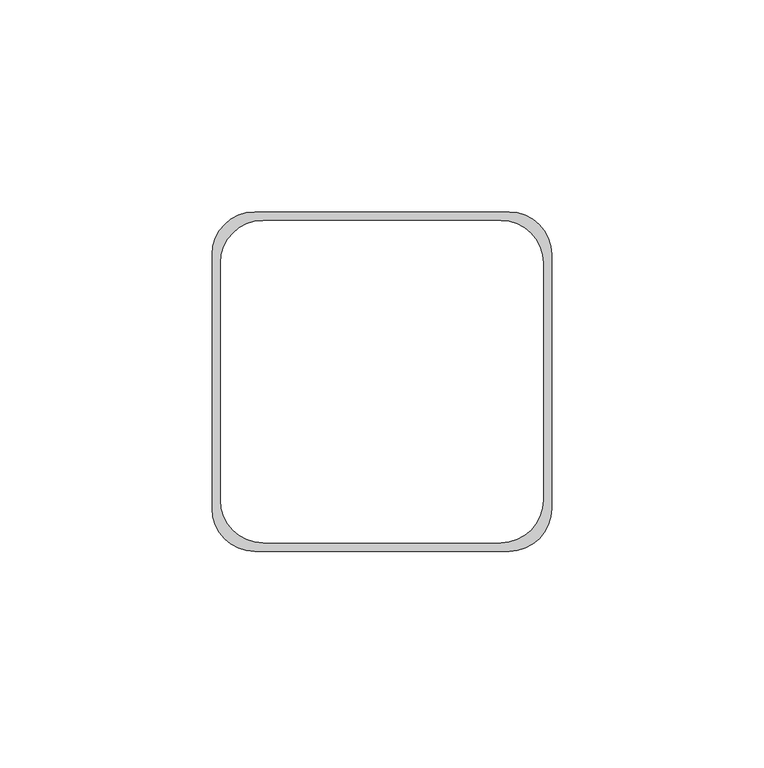
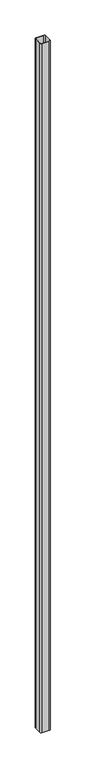
"""IFC4 building model written with IfcOpenShell, lengths in millimetres: proxy geometry."""

import ifcopenshell
import ifcopenshell.guid

model = None  # the IFC model being written
_history = None  # IfcOwnerHistory: only IFC2X3 demands one
_inside = {}  # id of a spatial element -> (the spatial element, [elements in it])
_under = {}  # id of a project, library or spatial element -> (it, [spatial elements below it])
_declared = {}  # id of a project -> (the project, [libraries it declares])
_typed = {}  # id of a type object -> (the type object, [elements of that type])
_made_of = {}  # id of a material, layer set ... -> (it, [elements and type objects made of it])


def new_model(schema):
    """Start an empty IFC model of exactly this schema.

    Asked for "IFC4X3", IfcOpenShell would pick the latest addendum, in which some entities
    have other attributes; the version numbers below select the first issue.
    IFC2X3 requires an IfcOwnerHistory on every rooted entity: one is made here for all.
    """
    global model, _history
    if schema == "IFC4X3":
        model = ifcopenshell.file(schema_version=(4, 3, 0, 0))
    else:
        model = ifcopenshell.file(schema=schema)
    _inside.clear()
    _under.clear()
    _declared.clear()
    _typed.clear()
    _made_of.clear()
    _history = None
    if model.schema == "IFC2X3":
        org = make("IfcOrganization", Name="unknown")
        user = make(
            "IfcPersonAndOrganization",
            ThePerson=make("IfcPerson", FamilyName="unknown"),
            TheOrganization=org,
        )
        app = make(
            "IfcApplication",
            ApplicationDeveloper=org,
            Version="unknown",
            ApplicationFullName="unknown",
            ApplicationIdentifier="unknown",
        )
        _history = make(
            "IfcOwnerHistory",
            OwningUser=user,
            OwningApplication=app,
            ChangeAction="ADDED",
            CreationDate=0,
        )
    return model


def make(cls, **values):
    """One entity of the class cls with the attributes given. An attribute that is None is left unset."""
    return model.create_entity(
        cls, **{name: value for name, value in values.items() if value is not None}
    )


def rooted(cls, **values):
    """An entity with a GlobalId (a new one), such as an element, a storey or a relation."""
    return make(cls, GlobalId=ifcopenshell.guid.new(), OwnerHistory=_history, **values)


def si_unit(unit_type, name, prefix=None):
    """IfcSIUnit, for example si_unit("LENGTHUNIT", "METRE", prefix="MILLI")."""
    return make("IfcSIUnit", UnitType=unit_type, Prefix=prefix, Name=name)


def assignment(units):
    """IfcUnitAssignment: the units of a project."""
    return None if units is None else make("IfcUnitAssignment", Units=units)


def point(xyz):
    """IfcCartesianPoint."""
    return None if xyz is None else make("IfcCartesianPoint", Coordinates=xyz)


def direction(xyz):
    """IfcDirection."""
    return None if xyz is None else make("IfcDirection", DirectionRatios=xyz)


def frame(location, z_axis=None, x_axis=None):
    """IfcAxis2Placement3D, a coordinate frame: its origin and axes. An axis left out is left unset."""
    return make(
        "IfcAxis2Placement3D",
        Location=point(location),
        Axis=direction(z_axis),
        RefDirection=direction(x_axis),
    )


def frame_2d(location, x_axis=None):
    """IfcAxis2Placement2D, a coordinate frame in the plane: its origin and x axis."""
    return make(
        "IfcAxis2Placement2D", Location=point(location), RefDirection=direction(x_axis)
    )


def origin():
    """The frame at (0, 0, 0) with its axes left unset."""
    return frame((0.0, 0.0, 0.0))


def place(relative_to, where):
    """IfcLocalPlacement: puts the frame where relative to a parent placement (None: the world)."""
    return make(
        "IfcLocalPlacement", PlacementRelTo=relative_to, RelativePlacement=where
    )


def context(
    kind, dimensions, precision=None, world=None, true_north=None, identifier=None
):
    """IfcGeometricRepresentationContext, for example the 3D "Model" context."""
    return make(
        "IfcGeometricRepresentationContext",
        ContextIdentifier=identifier,
        ContextType=kind,
        CoordinateSpaceDimension=dimensions,
        Precision=precision,
        WorldCoordinateSystem=world,
        TrueNorth=true_north,
    )


def project(units=None, contexts=None):
    """IfcProject with its units and contexts."""
    return rooted(
        "IfcProject",
        Name="project",
        RepresentationContexts=contexts,
        UnitsInContext=assignment(units),
    )


def spatial(cls, under=None, at=None, **own):
    """A site, building, storey or space (cls), placed at a placement, below another one or the project."""
    s = rooted(cls, ObjectPlacement=at, **own)
    if under is not None:
        _under.setdefault(under.id(), (under, []))[1].append(s)
    return s


def polyline(points):
    """IfcPolyline through the points."""
    return make("IfcPolyline", Points=[point(p) for p in points])


def circle_curve(where, radius):
    """IfcCircle in the frame where."""
    return make("IfcCircle", Position=where, Radius=radius)


def trimmed(basis, trim1, trim2, sense, master):
    """IfcTrimmedCurve: the piece of a basis curve between two trims."""
    return make(
        "IfcTrimmedCurve",
        BasisCurve=basis,
        Trim1=trim1,
        Trim2=trim2,
        SenseAgreement=sense,
        MasterRepresentation=master,
    )


def segment(curve, same_sense, transition):
    """IfcCompositeCurveSegment."""
    return make(
        "IfcCompositeCurveSegment",
        Transition=transition,
        SameSense=same_sense,
        ParentCurve=curve,
    )


def composite_curve(segments, self_intersect=None):
    """IfcCompositeCurve: segments joined end to end."""
    return make("IfcCompositeCurve", Segments=segments, SelfIntersect=self_intersect)


def outline(outer, holes=None, kind="AREA"):
    """IfcArbitraryClosedProfileDef: a profile drawn as a closed curve; with holes, ...WithVoids."""
    if holes is None:
        return make("IfcArbitraryClosedProfileDef", ProfileType=kind, OuterCurve=outer)
    return make(
        "IfcArbitraryProfileDefWithVoids",
        ProfileType=kind,
        OuterCurve=outer,
        InnerCurves=holes,
    )


def extrude(swept, where, along, depth):
    """IfcExtrudedAreaSolid: the profile swept, set in the frame where, extruded along a direction by depth."""
    return make(
        "IfcExtrudedAreaSolid",
        SweptArea=swept,
        Position=where,
        ExtrudedDirection=direction(along),
        Depth=depth,
    )


def shape(context_of_items, identifier, shape_type, items):
    """IfcShapeRepresentation: the items that make up one representation, for example the "Body"."""
    return make(
        "IfcShapeRepresentation",
        ContextOfItems=context_of_items,
        RepresentationIdentifier=identifier,
        RepresentationType=shape_type,
        Items=items,
    )


def source(mapping_origin, context_of_items, identifier, shape_type, items):
    """IfcRepresentationMap: a shape defined once, which mapped items show again and again."""
    return make(
        "IfcRepresentationMap",
        MappingOrigin=mapping_origin,
        MappedRepresentation=shape(context_of_items, identifier, shape_type, items),
    )


def transform(
    local_origin,
    x_axis=None,
    y_axis=None,
    z_axis=None,
    scale=None,
    scale2=None,
    scale3=None,
    uniform=True,
):
    """IfcCartesianTransformationOperator3D, or its non-uniform kind. x_axis, y_axis, z_axis: its Axis1, 2, 3."""
    if uniform:
        return make(
            "IfcCartesianTransformationOperator3D",
            Axis1=direction(x_axis),
            Axis2=direction(y_axis),
            LocalOrigin=point(local_origin),
            Scale=scale,
            Axis3=direction(z_axis),
        )
    return make(
        "IfcCartesianTransformationOperator3DnonUniform",
        Axis1=direction(x_axis),
        Axis2=direction(y_axis),
        LocalOrigin=point(local_origin),
        Scale=scale,
        Axis3=direction(z_axis),
        Scale2=scale2,
        Scale3=scale3,
    )


def mapped(mapping_source, mapping_target):
    """IfcMappedItem: shows the shape of a source again, moved by a transform."""
    return make(
        "IfcMappedItem", MappingSource=mapping_source, MappingTarget=mapping_target
    )


def made_of(thing, what):
    """Note that an element or type object is made of a material, layer set ...; save() writes the relation."""
    if what is not None:
        _made_of.setdefault(what.id(), (what, []))[1].append(thing)
    return thing


def element(
    cls,
    number,
    at=None,
    inside=None,
    cuts=None,
    type_object=None,
    material=None,
    context=None,
    identifier="Body",
    shape_type=None,
    held_by="IfcProductDefinitionShape",
    body=None,
    shapes=None,
    **own,
):
    """One element of the class cls, such as IfcWall. Its Tag is "e" and its number.

    at: its placement. inside: the storey or other place that contains it. cuts: it is an
    opening in that element (IfcRelVoidsElement). A single representation is given by context,
    identifier, shape_type and body (its items); several are given by shapes. held_by: the class
    of the entity that holds the representations. save() writes the other relations.
    """
    e = rooted(cls, Tag="e%d" % number, ObjectPlacement=at, **own)
    if body is not None:
        shapes = [shape(context, identifier, shape_type, body)]
    if shapes is not None:
        e.Representation = make(held_by, Representations=shapes)
    if inside is not None:
        _inside.setdefault(inside.id(), (inside, []))[1].append(e)
    if cuts is not None:
        rooted(
            "IfcRelVoidsElement", RelatingBuildingElement=cuts, RelatedOpeningElement=e
        )
    if type_object is not None:
        _typed.setdefault(type_object.id(), (type_object, []))[1].append(e)
    return made_of(e, material)


def aggregate(whole, parts):
    """IfcRelAggregates: a whole, such as a stair, and the parts it consists of."""
    return rooted("IfcRelAggregates", RelatingObject=whole, RelatedObjects=parts)


def save(model, path):
    """Write the relations noted so far, then the file.

    IfcRelAggregates (storeys below a building ...), IfcRelContainedInSpatialStructure (elements
    in a storey), IfcRelDefinesByType, IfcRelAssociatesMaterial and IfcRelDeclares: one each for
    every whole, place, type object, material and project.
    """
    for whole, parts in _under.values():
        aggregate(whole, parts)
    for where, things in _inside.values():
        rooted(
            "IfcRelContainedInSpatialStructure",
            RelatedElements=things,
            RelatingStructure=where,
        )
    for kind, things in _typed.values():
        rooted("IfcRelDefinesByType", RelatedObjects=things, RelatingType=kind)
    for what, things in _made_of.values():
        rooted("IfcRelAssociatesMaterial", RelatedObjects=things, RelatingMaterial=what)
    for by, libraries in _declared.values():
        rooted("IfcRelDeclares", RelatingContext=by, RelatedDefinitions=libraries)
    model.write(path)


def generic_models_4c3c7938(model_context):
    return source(origin(), model_context, "Body", "SweptSolid", [
        extrude(outline(composite_curve([segment(trimmed(circle_curve(frame_2d((-30.0, -30.0)), 10.0), [point((-30.0, -40.0))], [point((-40.0, -30.0))], False, "CARTESIAN"), True, "CONTINUOUS"), segment(polyline([(-40.0, -30.0), (-40.0, 30.0)]), True, "CONTINUOUS"), segment(trimmed(circle_curve(frame_2d((-30.0, 30.0)), 10.0), [point((-40.0, 30.0))], [point((-30.0, 40.0))], False, "CARTESIAN"), True, "CONTINUOUS"), segment(polyline([(-30.0, 40.0), (30.0, 40.0)]), True, "CONTINUOUS"), segment(trimmed(circle_curve(frame_2d((30.0, 30.0)), 10.0), [point((30.0, 40.0))], [point((40.0, 30.0))], False, "CARTESIAN"), True, "CONTINUOUS"), segment(polyline([(40.0, 30.0), (40.0, -30.0)]), True, "CONTINUOUS"), segment(trimmed(circle_curve(frame_2d((30.0, -30.0)), 10.0), [point((40.0, -30.0))], [point((30.0, -40.0))], False, "CARTESIAN"), True, "CONTINUOUS"), segment(polyline([(30.0, -40.0), (-30.0, -40.0)]), True, "CONTINUOUS")], self_intersect=False), holes=[composite_curve([segment(polyline([(-28.0, -38.0), (28.0, -38.0)]), True, "CONTINUOUS"), segment(trimmed(circle_curve(frame_2d((28.0, -28.0)), 10.0), [point((28.0, -38.0))], [point((38.0, -28.0))], True, "CARTESIAN"), True, "CONTINUOUS"), segment(polyline([(38.0, -28.0), (38.0, 28.0)]), True, "CONTINUOUS"), segment(trimmed(circle_curve(frame_2d((28.0, 28.0)), 10.0), [point((38.0, 28.0))], [point((28.0, 38.0))], True, "CARTESIAN"), True, "CONTINUOUS"), segment(polyline([(28.0, 38.0), (-28.0, 38.0)]), True, "CONTINUOUS"), segment(trimmed(circle_curve(frame_2d((-28.0, 28.0)), 10.0), [point((-28.0, 38.0))], [point((-38.0, 28.0))], True, "CARTESIAN"), True, "CONTINUOUS"), segment(polyline([(-38.0, 28.0), (-38.0, -28.0)]), True, "CONTINUOUS"), segment(trimmed(circle_curve(frame_2d((-28.0, -28.0)), 10.0), [point((-38.0, -28.0))], [point((-28.0, -38.0))], True, "CARTESIAN"), True, "CONTINUOUS")], self_intersect=False)]), frame((0.0, 0.0, -150.0), z_axis=(0.0, 0.0, 1.0), x_axis=(1.0, 0.0, 0.0)), (0.0, 0.0, 1.0), 5819.9999999),
    ])


if __name__ == "__main__":
    model = new_model("IFC4")
    model_context = context("Model", 3, world=origin())
    ifc_project = project(units=[si_unit("LENGTHUNIT", "METRE", prefix="MILLI")], contexts=[model_context])
    site = spatial("IfcSite", under=ifc_project)
    building = spatial("IfcBuilding", under=site)
    placement = place(None, origin())
    generic_models_shape = generic_models_4c3c7938(model_context)
    element("IfcBuildingElementProxy", 1, Name="Generic Models", at=placement, inside=building, context=model_context, shape_type="MappedRepresentation", body=[
        mapped(generic_models_shape, transform((0.0, 0.0, 0.0), x_axis=(1.0, 0.0, 0.0), y_axis=(0.0, 1.0, 0.0), z_axis=(0.0, 0.0, 1.0))),
    ])
    save(model, "model.ifc")
